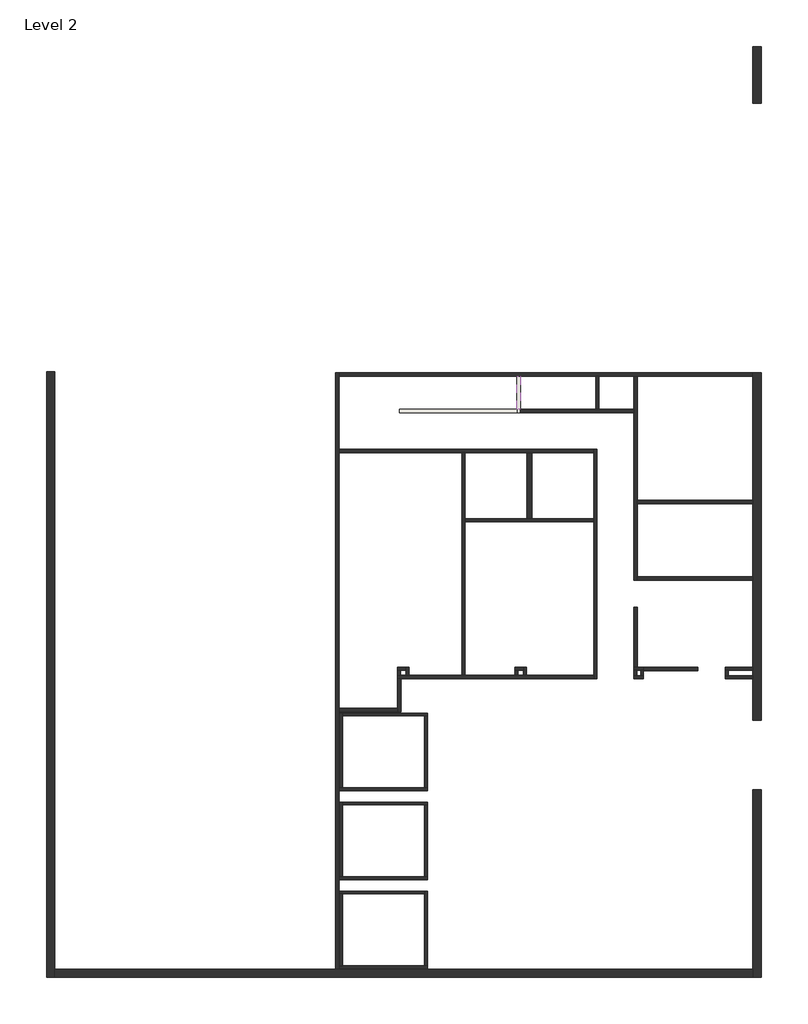
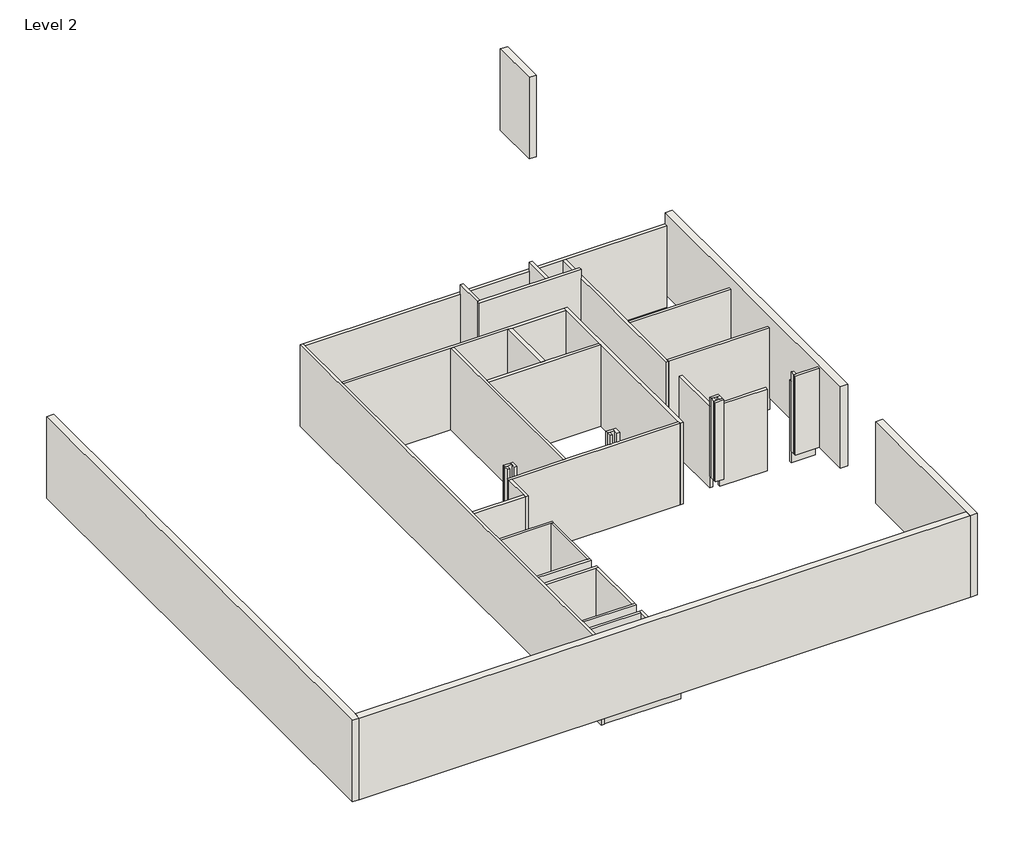
# One storey: 50 walls.
"""IFC4 building model written with IfcOpenShell, lengths in millimetres."""

import ifcopenshell
import ifcopenshell.guid

model = None  # the IFC model being written
_history = None  # IfcOwnerHistory: only IFC2X3 demands one
_inside = {}  # id of a spatial element -> (the spatial element, [elements in it])
_under = {}  # id of a project, library or spatial element -> (it, [spatial elements below it])
_declared = {}  # id of a project -> (the project, [libraries it declares])
_typed = {}  # id of a type object -> (the type object, [elements of that type])
_made_of = {}  # id of a material, layer set ... -> (it, [elements and type objects made of it])


def new_model(schema):
    """Start an empty IFC model of exactly this schema.

    Asked for "IFC4X3", IfcOpenShell would pick the latest addendum, in which some entities
    have other attributes; the version numbers below select the first issue.
    IFC2X3 requires an IfcOwnerHistory on every rooted entity: one is made here for all.
    """
    global model, _history
    if schema == "IFC4X3":
        model = ifcopenshell.file(schema_version=(4, 3, 0, 0))
    else:
        model = ifcopenshell.file(schema=schema)
    _inside.clear()
    _under.clear()
    _declared.clear()
    _typed.clear()
    _made_of.clear()
    _history = None
    if model.schema == "IFC2X3":
        org = make("IfcOrganization", Name="unknown")
        user = make(
            "IfcPersonAndOrganization",
            ThePerson=make("IfcPerson", FamilyName="unknown"),
            TheOrganization=org,
        )
        app = make(
            "IfcApplication",
            ApplicationDeveloper=org,
            Version="unknown",
            ApplicationFullName="unknown",
            ApplicationIdentifier="unknown",
        )
        _history = make(
            "IfcOwnerHistory",
            OwningUser=user,
            OwningApplication=app,
            ChangeAction="ADDED",
            CreationDate=0,
        )
    return model


def make(cls, **values):
    """One entity of the class cls with the attributes given. An attribute that is None is left unset."""
    return model.create_entity(
        cls, **{name: value for name, value in values.items() if value is not None}
    )


def rooted(cls, **values):
    """An entity with a GlobalId (a new one), such as an element, a storey or a relation."""
    return make(cls, GlobalId=ifcopenshell.guid.new(), OwnerHistory=_history, **values)


def si_unit(unit_type, name, prefix=None):
    """IfcSIUnit, for example si_unit("LENGTHUNIT", "METRE", prefix="MILLI")."""
    return make("IfcSIUnit", UnitType=unit_type, Prefix=prefix, Name=name)


def assignment(units):
    """IfcUnitAssignment: the units of a project."""
    return None if units is None else make("IfcUnitAssignment", Units=units)


def point(xyz):
    """IfcCartesianPoint."""
    return None if xyz is None else make("IfcCartesianPoint", Coordinates=xyz)


def direction(xyz):
    """IfcDirection."""
    return None if xyz is None else make("IfcDirection", DirectionRatios=xyz)


def frame(location, z_axis=None, x_axis=None):
    """IfcAxis2Placement3D, a coordinate frame: its origin and axes. An axis left out is left unset."""
    return make(
        "IfcAxis2Placement3D",
        Location=point(location),
        Axis=direction(z_axis),
        RefDirection=direction(x_axis),
    )


def origin():
    """The frame at (0, 0, 0) with its axes left unset."""
    return frame((0.0, 0.0, 0.0))


def place(relative_to, where):
    """IfcLocalPlacement: puts the frame where relative to a parent placement (None: the world)."""
    return make(
        "IfcLocalPlacement", PlacementRelTo=relative_to, RelativePlacement=where
    )


def context(
    kind, dimensions, precision=None, world=None, true_north=None, identifier=None
):
    """IfcGeometricRepresentationContext, for example the 3D "Model" context."""
    return make(
        "IfcGeometricRepresentationContext",
        ContextIdentifier=identifier,
        ContextType=kind,
        CoordinateSpaceDimension=dimensions,
        Precision=precision,
        WorldCoordinateSystem=world,
        TrueNorth=true_north,
    )


def project(units=None, contexts=None):
    """IfcProject with its units and contexts."""
    return rooted(
        "IfcProject",
        Name="project",
        RepresentationContexts=contexts,
        UnitsInContext=assignment(units),
    )


def spatial(cls, under=None, at=None, **own):
    """A site, building, storey or space (cls), placed at a placement, below another one or the project."""
    s = rooted(cls, ObjectPlacement=at, **own)
    if under is not None:
        _under.setdefault(under.id(), (under, []))[1].append(s)
    return s


def polyline(points):
    """IfcPolyline through the points."""
    return make("IfcPolyline", Points=[point(p) for p in points])


def outline(outer, holes=None, kind="AREA"):
    """IfcArbitraryClosedProfileDef: a profile drawn as a closed curve; with holes, ...WithVoids."""
    if holes is None:
        return make("IfcArbitraryClosedProfileDef", ProfileType=kind, OuterCurve=outer)
    return make(
        "IfcArbitraryProfileDefWithVoids",
        ProfileType=kind,
        OuterCurve=outer,
        InnerCurves=holes,
    )


def extrude(swept, where, along, depth):
    """IfcExtrudedAreaSolid: the profile swept, set in the frame where, extruded along a direction by depth."""
    return make(
        "IfcExtrudedAreaSolid",
        SweptArea=swept,
        Position=where,
        ExtrudedDirection=direction(along),
        Depth=depth,
    )


def faces_of(points, faces, orient=None, outer=None):
    """IfcFace entities. A face is a list of loops; a loop is a list of indices into points, from 0.

    orient and outer hold one flag for each loop. By default every Orientation is true, the
    first loop of a face is its IfcFaceOuterBound and the others are IfcFaceBound.
    """
    made = []
    for i, loops in enumerate(faces):
        bounds = []
        for j, loop in enumerate(loops):
            is_outer = j == 0 if outer is None else outer[i][j]
            bounds.append(
                make(
                    "IfcFaceOuterBound" if is_outer else "IfcFaceBound",
                    Bound=make("IfcPolyLoop", Polygon=[points[k] for k in loop]),
                    Orientation=True if orient is None else orient[i][j],
                )
            )
        made.append(make("IfcFace", Bounds=bounds))
    return made


def faceted_brep(points, faces, orient=None, outer=None, voids=None):
    """IfcFacetedBrep: a solid bounded by flat faces; with voids (closed shells), ...WithVoids."""
    shared = [point(p) for p in points]
    hull = make("IfcClosedShell", CfsFaces=faces_of(shared, faces, orient, outer))
    if voids is None:
        return make("IfcFacetedBrep", Outer=hull)
    return make(
        "IfcFacetedBrepWithVoids",
        Outer=hull,
        Voids=[
            make(cls, CfsFaces=faces_of(shared, fs, o, b)) for cls, fs, o, b in voids
        ],
    )


def shape(context_of_items, identifier, shape_type, items):
    """IfcShapeRepresentation: the items that make up one representation, for example the "Body"."""
    return make(
        "IfcShapeRepresentation",
        ContextOfItems=context_of_items,
        RepresentationIdentifier=identifier,
        RepresentationType=shape_type,
        Items=items,
    )


def made_of(thing, what):
    """Note that an element or type object is made of a material, layer set ...; save() writes the relation."""
    if what is not None:
        _made_of.setdefault(what.id(), (what, []))[1].append(thing)
    return thing


def element(
    cls,
    number,
    at=None,
    inside=None,
    cuts=None,
    type_object=None,
    material=None,
    context=None,
    identifier="Body",
    shape_type=None,
    held_by="IfcProductDefinitionShape",
    body=None,
    shapes=None,
    **own,
):
    """One element of the class cls, such as IfcWall. Its Tag is "e" and its number.

    at: its placement. inside: the storey or other place that contains it. cuts: it is an
    opening in that element (IfcRelVoidsElement). A single representation is given by context,
    identifier, shape_type and body (its items); several are given by shapes. held_by: the class
    of the entity that holds the representations. save() writes the other relations.
    """
    e = rooted(cls, Tag="e%d" % number, ObjectPlacement=at, **own)
    if body is not None:
        shapes = [shape(context, identifier, shape_type, body)]
    if shapes is not None:
        e.Representation = make(held_by, Representations=shapes)
    if inside is not None:
        _inside.setdefault(inside.id(), (inside, []))[1].append(e)
    if cuts is not None:
        rooted(
            "IfcRelVoidsElement", RelatingBuildingElement=cuts, RelatedOpeningElement=e
        )
    if type_object is not None:
        _typed.setdefault(type_object.id(), (type_object, []))[1].append(e)
    return made_of(e, material)


def aggregate(whole, parts):
    """IfcRelAggregates: a whole, such as a stair, and the parts it consists of."""
    return rooted("IfcRelAggregates", RelatingObject=whole, RelatedObjects=parts)


def save(model, path):
    """Write the relations noted so far, then the file.

    IfcRelAggregates (storeys below a building ...), IfcRelContainedInSpatialStructure (elements
    in a storey), IfcRelDefinesByType, IfcRelAssociatesMaterial and IfcRelDeclares: one each for
    every whole, place, type object, material and project.
    """
    for whole, parts in _under.values():
        aggregate(whole, parts)
    for where, things in _inside.values():
        rooted(
            "IfcRelContainedInSpatialStructure",
            RelatedElements=things,
            RelatingStructure=where,
        )
    for kind, things in _typed.values():
        rooted("IfcRelDefinesByType", RelatedObjects=things, RelatingType=kind)
    for what, things in _made_of.values():
        rooted("IfcRelAssociatesMaterial", RelatedObjects=things, RelatingMaterial=what)
    for by, libraries in _declared.values():
        rooted("IfcRelDeclares", RelatingContext=by, RelatedDefinitions=libraries)
    model.write(path)


model = new_model("IFC4")

# Units and contexts
model_context = context("Model", 3, world=origin())
ifc_project = project(units=[si_unit("LENGTHUNIT", "METRE", prefix="MILLI")], contexts=[model_context])

# Site, building, storey
site = spatial("IfcSite", under=ifc_project)
building = spatial("IfcBuilding", under=site)
storey = spatial("IfcBuildingStorey", under=building, Name="Level 2", Elevation=3048.0)

# Walls
placement = place(None, origin())
element("IfcWall", 1, ObjectType="Generic - 12\"", at=placement, inside=storey, context=model_context, shape_type="Brep", body=[
    faceted_brep([(12820.8785353, -17893.9596513, 3556.0), (12820.8785353, -10934.3596513, 3556.0), (12820.8785353, -10934.3596513, 7213.6), (12820.8785353, -17893.9596513, 7213.6), (12516.0785353, -17893.9596513, 3556.0), (12516.0785353, -17893.9596513, 7213.6), (12516.0785353, -17589.1596513, 7213.6), (12516.0785353, -10934.3596513, 7213.6), (12516.0785353, -10934.3596513, 3556.0), (12516.0785353, -17589.1596513, 3556.0)], [[[0, 1, 2, 3]], [[4, 5, 6, 7, 8, 9]], [[1, 0, 4, 9, 8]], [[2, 1, 8, 7]], [[3, 2, 7, 6, 5]], [[0, 3, 5, 4]]]),
])
element("IfcWall", 2, ObjectType="Generic - 12\"", at=placement, inside=storey, context=model_context, shape_type="Brep", body=[
    faceted_brep([(12821.5620423, -8343.5596513, 3556.0), (12821.5620423, 4537.4153487, 3556.0), (12821.5620423, 4537.4153487, 7213.6), (12821.5620423, -8343.5596513, 7213.6), (12516.7620423, -8343.5596513, 3556.0), (12516.7620423, -8343.5596513, 7213.6), (12516.7620423, 4537.4153487, 7213.6), (12516.7620423, 4537.4153487, 6705.6), (12516.7620423, 4537.4153487, 3556.0), (12516.7620423, -183.8096513, 3556.0), (12516.7620423, -307.6346513, 3556.0), (12516.7620423, -3025.4346513, 3556.0), (12516.7620423, -3149.2596513, 3556.0), (12516.7620423, -6387.7596513, 3556.0), (12516.7620423, -6495.7096513, 3556.0), (12516.7620423, -6698.9096513, 3556.0), (12516.7620423, -6806.8596513, 3556.0)], [[[0, 1, 2, 3]], [[4, 5, 6, 7, 8, 9, 10, 11, 12, 13, 14, 15, 16]], [[1, 0, 4, 16, 15, 14, 13, 12, 11, 10, 9, 8]], [[3, 2, 6, 5]], [[0, 3, 5, 4]], [[2, 1, 8, 7, 6]]]),
])
element("IfcWall", 3, ObjectType="Generic - 12\"", at=placement, inside=storey, context=model_context, shape_type="SweptSolid", body=[
    extrude(outline(polyline([(12821.5620423, 16651.385314), (12821.5620423, 14542.1710778), (12516.7620423, 14542.1710778), (12516.7620423, 16651.385314), (12821.5620423, 16651.385314)])), frame((0.0, 0.0, 3556.0), z_axis=(0.0, 0.0, 1.0), x_axis=(1.0, 0.0, 0.0)), (0.0, 0.0, 1.0), 3657.6),
])
element("IfcWall", 4, ObjectType="Generic - 12\"", at=placement, inside=storey, context=model_context, shape_type="Brep", body=[
    faceted_brep([(-13711.3933191, 4581.8653487, 3556.0), (-13711.3933191, -17893.9596513, 3556.0), (-13711.3933191, -17893.9596513, 7213.6), (-13711.3933191, 4581.8653487, 7213.6), (-13406.5933191, 4581.8653487, 3556.0), (-13406.5933191, 4581.8653487, 7213.6), (-13406.5933191, -17589.1596513, 7213.6), (-13406.5933191, -17893.9596513, 7213.6), (-13406.5933191, -17893.9596513, 3556.0), (-13406.5933191, -17589.1596513, 3556.0)], [[[0, 1, 2, 3]], [[4, 5, 6, 7, 8, 9]], [[1, 0, 4, 9, 8]], [[3, 2, 7, 6, 5]], [[0, 3, 5, 4]], [[2, 1, 8, 7]]]),
])
element("IfcWall", 5, ObjectType="Generic - 12\"", at=placement, inside=storey, context=model_context, shape_type="SweptSolid", body=[
    extrude(outline(polyline([(12516.0785353, -17893.9596513), (-13406.5933191, -17893.9596513), (-13406.5933191, -17589.1596513), (12516.0785353, -17589.1596513), (12516.0785353, -17893.9596513)])), frame((0.0, 0.0, 3556.0), z_axis=(0.0, 0.0, 1.0), x_axis=(1.0, 0.0, 0.0)), (0.0, 0.0, 1.0), 3657.6),
])
element("IfcWall", 6, ObjectType="Generic - 4\"", at=placement, inside=storey, context=model_context, shape_type="Brep", body=[
    faceted_brep([(-2824.8379577, -17563.7596513, 3048.0), (426.3620423, -17563.7596513, 3048.0), (426.3620423, -17563.7596513, 5257.8), (-2824.8379577, -17563.7596513, 5257.8), (-2824.8379577, -17462.1596513, 3048.0), (-2824.8379577, -17462.1596513, 5257.8), (-2723.2379577, -17462.1596513, 5257.8), (324.7620423, -17462.1596513, 5257.8), (426.3620423, -17462.1596513, 5257.8), (426.3620423, -17462.1596513, 3048.0), (324.7620423, -17462.1596513, 3048.0), (-2723.2379577, -17462.1596513, 3048.0)], [[[0, 1, 2, 3]], [[4, 5, 6, 7, 8, 9, 10, 11]], [[1, 0, 4, 11, 10, 9]], [[3, 2, 8, 7, 6, 5]], [[0, 3, 5, 4]], [[2, 1, 9, 8]]]),
])
element("IfcWall", 7, ObjectType="Generic - 4\"", at=placement, inside=storey, context=model_context, shape_type="Brep", body=[
    faceted_brep([(426.3620423, -17462.1596513, 3048.0), (426.3620423, -14693.5596513, 3048.0), (426.3620423, -14693.5596513, 5257.8), (426.3620423, -17462.1596513, 5257.8), (324.7620423, -17462.1596513, 3048.0), (324.7620423, -17462.1596513, 5257.8), (324.7620423, -14795.1596513, 5257.8), (324.7620423, -14693.5596513, 5257.8), (324.7620423, -14693.5596513, 3048.0), (324.7620423, -14795.1596513, 3048.0)], [[[0, 1, 2, 3]], [[4, 5, 6, 7, 8, 9]], [[1, 0, 4, 9, 8]], [[3, 2, 7, 6, 5]], [[2, 1, 8, 7]], [[0, 3, 5, 4]]]),
])
element("IfcWall", 8, ObjectType="Generic - 4\"", at=placement, inside=storey, context=model_context, shape_type="Brep", body=[
    faceted_brep([(324.7620423, -14693.5596513, 3048.0), (-2824.8379577, -14693.5596513, 3048.0), (-2824.8379577, -14693.5596513, 5257.8), (324.7620423, -14693.5596513, 5257.8), (324.7620423, -14795.1596513, 3048.0), (324.7620423, -14795.1596513, 5257.8), (-2723.2379577, -14795.1596513, 5257.8), (-2824.8379577, -14795.1596513, 5257.8), (-2824.8379577, -14795.1596513, 3048.0), (-2723.2379577, -14795.1596513, 3048.0)], [[[0, 1, 2, 3]], [[4, 5, 6, 7, 8, 9]], [[1, 0, 4, 9, 8]], [[3, 2, 7, 6, 5]], [[0, 3, 5, 4]], [[2, 1, 8, 7]]]),
])
element("IfcWall", 9, ObjectType="Generic - 4\"", at=placement, inside=storey, context=model_context, shape_type="SweptSolid", body=[
    extrude(outline(polyline([(-2824.8379577, -17462.1596513), (-2824.8379577, -14795.1596513), (-2723.2379577, -14795.1596513), (-2723.2379577, -17462.1596513), (-2824.8379577, -17462.1596513)])), frame((0.0, 0.0, 3048.0), z_axis=(0.0, 0.0, 1.0), x_axis=(1.0, 0.0, 0.0)), (0.0, 0.0, 1.0), 2209.8),
])
element("IfcWall", 10, ObjectType="Generic - 4\"", at=placement, inside=storey, context=model_context, shape_type="Brep", body=[
    faceted_brep([(426.3620423, -14160.1596513, 3048.0), (324.7620423, -14160.1596513, 3048.0), (-2723.2379577, -14160.1596513, 3048.0), (-2824.8379577, -14160.1596513, 3048.0), (-2824.8379577, -14160.1596513, 5257.8), (-2723.2379577, -14160.1596513, 5257.8), (324.7620423, -14160.1596513, 5257.8), (426.3620423, -14160.1596513, 5257.8), (426.3620423, -14261.7596513, 3048.0), (426.3620423, -14261.7596513, 5257.8), (-2824.8379577, -14261.7596513, 5257.8), (-2824.8379577, -14261.7596513, 3048.0)], [[[0, 1, 2, 3, 4, 5, 6, 7]], [[8, 9, 10, 11]], [[3, 2, 1, 0, 8, 11]], [[7, 6, 5, 4, 10, 9]], [[4, 3, 11, 10]], [[0, 7, 9, 8]]]),
])
element("IfcWall", 11, ObjectType="Generic - 4\"", at=placement, inside=storey, context=model_context, shape_type="Brep", body=[
    faceted_brep([(-2723.2379577, -14160.1596513, 3048.0), (-2723.2379577, -11493.1596513, 3048.0), (-2723.2379577, -11391.5596513, 3048.0), (-2723.2379577, -11391.5596513, 5257.8), (-2723.2379577, -11493.1596513, 5257.8), (-2723.2379577, -14160.1596513, 5257.8), (-2824.8379577, -14160.1596513, 3048.0), (-2824.8379577, -14160.1596513, 5257.8), (-2824.8379577, -11391.5596513, 5257.8), (-2824.8379577, -11391.5596513, 3048.0)], [[[0, 1, 2, 3, 4, 5]], [[6, 7, 8, 9]], [[2, 1, 0, 6, 9]], [[5, 4, 3, 8, 7]], [[0, 5, 7, 6]], [[3, 2, 9, 8]]]),
])
element("IfcWall", 12, ObjectType="Generic - 4\"", at=placement, inside=storey, context=model_context, shape_type="Brep", body=[
    faceted_brep([(-2723.2379577, -11493.1596513, 3048.0), (324.7620423, -11493.1596513, 3048.0), (426.3620423, -11493.1596513, 3048.0), (426.3620423, -11493.1596513, 5257.8), (324.7620423, -11493.1596513, 5257.8), (-2723.2379577, -11493.1596513, 5257.8), (-2723.2379577, -11391.5596513, 3048.0), (-2723.2379577, -11391.5596513, 5257.8), (426.3620423, -11391.5596513, 5257.8), (426.3620423, -11391.5596513, 3048.0)], [[[0, 1, 2, 3, 4, 5]], [[6, 7, 8, 9]], [[2, 1, 0, 6, 9]], [[5, 4, 3, 8, 7]], [[0, 5, 7, 6]], [[3, 2, 9, 8]]]),
])
element("IfcWall", 13, ObjectType="Generic - 4\"", at=placement, inside=storey, context=model_context, shape_type="SweptSolid", body=[
    extrude(outline(polyline([(324.7620423, -14160.1596513), (324.7620423, -11493.1596513), (426.3620423, -11493.1596513), (426.3620423, -14160.1596513), (324.7620423, -14160.1596513)])), frame((0.0, 0.0, 3048.0), z_axis=(0.0, 0.0, 1.0), x_axis=(1.0, 0.0, 0.0)), (0.0, 0.0, 1.0), 2209.8),
])
element("IfcWall", 14, ObjectType="Generic - 4\"", at=placement, inside=storey, context=model_context, shape_type="Brep", body=[
    faceted_brep([(426.3620423, -10858.1596513, 3048.0), (324.7620423, -10858.1596513, 3048.0), (-2723.2379577, -10858.1596513, 3048.0), (-2824.8379577, -10858.1596513, 3048.0), (-2824.8379577, -10858.1596513, 5257.8), (-2723.2379577, -10858.1596513, 5257.8), (324.7620423, -10858.1596513, 5257.8), (426.3620423, -10858.1596513, 5257.8), (426.3620423, -10959.7596513, 3048.0), (426.3620423, -10959.7596513, 5257.8), (-2824.8379577, -10959.7596513, 5257.8), (-2824.8379577, -10959.7596513, 3048.0)], [[[0, 1, 2, 3, 4, 5, 6, 7]], [[8, 9, 10, 11]], [[3, 2, 1, 0, 8, 11]], [[7, 6, 5, 4, 10, 9]], [[4, 3, 11, 10]], [[0, 7, 9, 8]]]),
])
element("IfcWall", 15, ObjectType="Generic - 4\"", at=placement, inside=storey, context=model_context, shape_type="Brep", body=[
    faceted_brep([(-2723.2379577, -10858.1596513, 3048.0), (-2723.2379577, -8191.1596513, 3048.0), (-2723.2379577, -8089.5596513, 3048.0), (-2723.2379577, -8089.5596513, 5257.8), (-2723.2379577, -8191.1596513, 5257.8), (-2723.2379577, -10858.1596513, 5257.8), (-2824.8379577, -10858.1596513, 3048.0), (-2824.8379577, -10858.1596513, 5257.8), (-2824.8379577, -8089.5596513, 5257.8), (-2824.8379577, -8089.5596513, 3048.0)], [[[0, 1, 2, 3, 4, 5]], [[6, 7, 8, 9]], [[2, 1, 0, 6, 9]], [[5, 4, 3, 8, 7]], [[0, 5, 7, 6]], [[3, 2, 9, 8]]]),
])
element("IfcWall", 16, ObjectType="Generic - 4\"", at=placement, inside=storey, context=model_context, shape_type="Brep", body=[
    faceted_brep([(-2723.2379577, -8191.1596513, 3048.0), (324.7620423, -8191.1596513, 3048.0), (426.3620423, -8191.1596513, 3048.0), (426.3620423, -8191.1596513, 5257.8), (324.7620423, -8191.1596513, 5257.8), (-2723.2379577, -8191.1596513, 5257.8), (-2723.2379577, -8089.5596513, 3048.0), (-2723.2379577, -8089.5596513, 5257.8), (426.3620423, -8089.5596513, 5257.8), (426.3620423, -8089.5596513, 3048.0)], [[[0, 1, 2, 3, 4, 5]], [[6, 7, 8, 9]], [[2, 1, 0, 6, 9]], [[5, 4, 3, 8, 7]], [[0, 5, 7, 6]], [[3, 2, 9, 8]]]),
])
element("IfcWall", 17, ObjectType="Generic - 4\"", at=placement, inside=storey, context=model_context, shape_type="SweptSolid", body=[
    extrude(outline(polyline([(324.7620423, -10858.1596513), (324.7620423, -8191.1596513), (426.3620423, -8191.1596513), (426.3620423, -10858.1596513), (324.7620423, -10858.1596513)])), frame((0.0, 0.0, 3048.0), z_axis=(0.0, 0.0, 1.0), x_axis=(1.0, 0.0, 0.0)), (0.0, 0.0, 1.0), 2209.8),
])
element("IfcWall", 18, ObjectType="Interior - 4 1/4\" Partition", at=placement, inside=storey, context=model_context, shape_type="Brep", body=[
    faceted_brep([(11494.4120423, -6495.7096513, 3048.0), (12516.0785353, -6495.7096513, 3048.0), (12516.0785353, -6495.7096513, 3556.0), (12516.7620423, -6495.7096513, 3556.0), (12516.7620423, -6495.7096513, 6705.6), (11494.4120423, -6495.7096513, 6705.6), (11494.4120423, -6495.7096513, 3556.0), (11494.4120423, -6387.7596513, 3048.0), (11494.4120423, -6387.7596513, 6705.6), (12516.7620423, -6387.7596513, 6705.6), (12516.7620423, -6387.7596513, 3556.0), (12516.0785353, -6387.7596513, 3556.0), (12516.0785353, -6387.7596513, 3048.0)], [[[0, 1, 2, 3, 4, 5, 6]], [[7, 8, 9, 10, 11, 12]], [[1, 0, 7, 12]], [[5, 4, 9, 8]], [[0, 6, 5, 8, 7]], [[10, 3, 2, 11]], [[2, 1, 12, 11]], [[4, 3, 10, 9]]]),
])
element("IfcWall", 19, ObjectType="Interior - 4 1/4\" Partition", at=placement, inside=storey, context=model_context, shape_type="Brep", body=[
    faceted_brep([(11494.4120423, -6806.8596513, 3556.0), (12516.7620423, -6806.8596513, 3556.0), (12516.7620423, -6806.8596513, 7112.0), (11494.4120423, -6806.8596513, 7112.0), (11494.4120423, -6698.9096513, 3556.0), (11494.4120423, -6698.9096513, 7112.0), (11602.3620423, -6698.9096513, 7112.0), (12516.7620423, -6698.9096513, 7112.0), (12516.7620423, -6698.9096513, 3556.0), (11602.3620423, -6698.9096513, 3556.0)], [[[0, 1, 2, 3]], [[4, 5, 6, 7, 8, 9]], [[1, 0, 4, 9, 8]], [[3, 2, 7, 6, 5]], [[2, 1, 8, 7]], [[0, 3, 5, 4]]]),
])
element("IfcWall", 20, ObjectType="Interior - 4 1/4\" Partition", at=placement, inside=storey, context=model_context, shape_type="Brep", body=[
    faceted_brep([(11494.4120423, -6495.7096513, 3556.0), (11494.4120423, -6698.9096513, 3556.0), (11494.4120423, -6698.9096513, 7112.0), (11494.4120423, -6495.7096513, 7112.0), (11494.4120423, -6495.7096513, 6705.6), (11602.3620423, -6495.7096513, 3556.0), (11602.3620423, -6495.7096513, 7112.0), (11602.3620423, -6698.9096513, 7112.0), (11602.3620423, -6698.9096513, 3556.0)], [[[0, 1, 2, 3, 4]], [[5, 6, 7, 8]], [[1, 0, 5, 8]], [[3, 2, 7, 6]], [[0, 4, 3, 6, 5]], [[2, 1, 8, 7]]]),
])
element("IfcWall", 21, ObjectType="Interior - 4 1/4\" Partition", at=placement, inside=storey, context=model_context, shape_type="Brep", body=[
    faceted_brep([(8100.3370423, -6806.8596513, 3556.0), (8459.1120423, -6806.8596513, 3556.0), (8459.1120423, -6806.8596513, 7112.0), (8100.3370423, -6806.8596513, 7112.0), (8100.3370423, -6698.9096513, 3556.0), (8100.3370423, -6698.9096513, 7112.0), (8208.2870423, -6698.9096513, 7112.0), (8351.1620423, -6698.9096513, 7112.0), (8459.1120423, -6698.9096513, 7112.0), (8459.1120423, -6698.9096513, 3556.0), (8351.1620423, -6698.9096513, 3556.0), (8208.2870423, -6698.9096513, 3556.0)], [[[0, 1, 2, 3]], [[4, 5, 6, 7, 8, 9, 10, 11]], [[1, 0, 4, 11, 10, 9]], [[3, 2, 8, 7, 6, 5]], [[2, 1, 9, 8]], [[0, 3, 5, 4]]]),
])
element("IfcWall", 22, ObjectType="Interior - 4 1/4\" Partition", at=placement, inside=storey, context=model_context, shape_type="SweptSolid", body=[
    extrude(outline(polyline([(8459.1120423, -6495.7096513), (8459.1120423, -6698.9096513), (8351.1620423, -6698.9096513), (8351.1620423, -6495.7096513), (8459.1120423, -6495.7096513)])), frame((0.0, 0.0, 3556.0), z_axis=(0.0, 0.0, 1.0), x_axis=(1.0, 0.0, 0.0)), (0.0, 0.0, 1.0), 3556.0),
])
element("IfcWall", 23, ObjectType="Interior - 4 1/4\" Partition", at=placement, inside=storey, context=model_context, shape_type="SweptSolid", body=[
    extrude(outline(polyline([(8100.3370423, -6698.9096513), (8100.3370423, -6495.7096513), (8208.2870423, -6495.7096513), (8208.2870423, -6698.9096513), (8100.3370423, -6698.9096513)])), frame((0.0, 0.0, 3556.0), z_axis=(0.0, 0.0, 1.0), x_axis=(1.0, 0.0, 0.0)), (0.0, 0.0, 1.0), 3556.0),
])
element("IfcWall", 24, ObjectType="Interior - 4 1/4\" Partition", at=placement, inside=storey, context=model_context, shape_type="Brep", body=[
    faceted_brep([(8459.1120423, -6387.7596513, 7112.0), (8459.1120423, -6387.7596513, 6705.6), (8459.1120423, -6387.7596513, 3556.0), (8100.3370423, -6387.7596513, 3556.0), (8100.3370423, -6387.7596513, 6705.6), (8100.3370423, -6387.7596513, 7112.0), (8459.1120423, -6495.7096513, 3556.0), (8459.1120423, -6495.7096513, 7112.0), (8351.1620423, -6495.7096513, 7112.0), (8208.2870423, -6495.7096513, 7112.0), (8100.3370423, -6495.7096513, 7112.0), (8100.3370423, -6495.7096513, 3556.0), (8208.2870423, -6495.7096513, 3556.0), (8351.1620423, -6495.7096513, 3556.0)], [[[0, 1, 2, 3, 4, 5]], [[6, 7, 8, 9, 10, 11, 12, 13]], [[3, 2, 6, 13, 12, 11]], [[0, 5, 10, 9, 8, 7]], [[3, 11, 10, 5, 4]], [[0, 7, 6, 2, 1]]]),
])
element("IfcWall", 25, ObjectType="Interior - 4 1/4\" Partition", at=placement, inside=storey, context=model_context, shape_type="Brep", body=[
    faceted_brep([(4103.0120423, -6683.0346513, 3556.0), (4103.0120423, -6387.7596513, 3556.0), (4103.0120423, -6387.7596513, 7112.0), (4103.0120423, -6683.0346513, 7112.0), (3995.0620423, -6683.0346513, 3556.0), (3995.0620423, -6683.0346513, 7112.0), (3995.0620423, -6495.7096513, 7112.0), (3995.0620423, -6387.7596513, 7112.0), (3995.0620423, -6387.7596513, 3556.0), (3995.0620423, -6495.7096513, 3556.0)], [[[0, 1, 2, 3]], [[4, 5, 6, 7, 8, 9]], [[1, 0, 4, 9, 8]], [[3, 2, 7, 6, 5]], [[0, 3, 5, 4]], [[2, 1, 8, 7]]]),
])
element("IfcWall", 26, ObjectType="Interior - 4 1/4\" Partition", at=placement, inside=storey, context=model_context, shape_type="Brep", body=[
    faceted_brep([(3995.0620423, -6387.7596513, 3556.0), (3683.9120423, -6387.7596513, 3556.0), (3683.9120423, -6387.7596513, 7112.0), (3995.0620423, -6387.7596513, 7112.0), (3995.0620423, -6495.7096513, 3556.0), (3995.0620423, -6495.7096513, 7112.0), (3791.8620423, -6495.7096513, 7112.0), (3683.9120423, -6495.7096513, 7112.0), (3683.9120423, -6495.7096513, 3556.0), (3791.8620423, -6495.7096513, 3556.0)], [[[0, 1, 2, 3]], [[4, 5, 6, 7, 8, 9]], [[1, 0, 4, 9, 8]], [[3, 2, 7, 6, 5]], [[0, 3, 5, 4]], [[2, 1, 8, 7]]]),
])
element("IfcWall", 27, ObjectType="Interior - 4 1/4\" Partition", at=placement, inside=storey, context=model_context, shape_type="SweptSolid", body=[
    extrude(outline(polyline([(3683.9120423, -6683.0346513), (3683.9120423, -6495.7096513), (3791.8620423, -6495.7096513), (3791.8620423, -6683.0346513), (3683.9120423, -6683.0346513)])), frame((0.0, 0.0, 3556.0), z_axis=(0.0, 0.0, 1.0), x_axis=(1.0, 0.0, 0.0)), (0.0, 0.0, 1.0), 3556.0),
])
element("IfcWall", 28, ObjectType="Interior - 4 1/4\" Partition", at=placement, inside=storey, context=model_context, shape_type="Brep", body=[
    faceted_brep([(-253.0879577, -6683.0346513, 3556.0), (-253.0879577, -6387.7596513, 3556.0), (-253.0879577, -6387.7596513, 7112.0), (-253.0879577, -6683.0346513, 7112.0), (-361.0379577, -6683.0346513, 3556.0), (-361.0379577, -6683.0346513, 7112.0), (-361.0379577, -6495.7096513, 7112.0), (-361.0379577, -6387.7596513, 7112.0), (-361.0379577, -6387.7596513, 3556.0), (-361.0379577, -6495.7096513, 3556.0)], [[[0, 1, 2, 3]], [[4, 5, 6, 7, 8, 9]], [[1, 0, 4, 9, 8]], [[3, 2, 7, 6, 5]], [[0, 3, 5, 4]], [[2, 1, 8, 7]]]),
])
element("IfcWall", 29, ObjectType="Interior - 4 1/4\" Partition", at=placement, inside=storey, context=model_context, shape_type="Brep", body=[
    faceted_brep([(-361.0379577, -6387.7596513, 3556.0), (-672.1879577, -6387.7596513, 3556.0), (-672.1879577, -6387.7596513, 7112.0), (-361.0379577, -6387.7596513, 7112.0), (-361.0379577, -6495.7096513, 3556.0), (-361.0379577, -6495.7096513, 7112.0), (-564.2379577, -6495.7096513, 7112.0), (-672.1879577, -6495.7096513, 7112.0), (-672.1879577, -6495.7096513, 3556.0), (-564.2379577, -6495.7096513, 3556.0)], [[[0, 1, 2, 3]], [[4, 5, 6, 7, 8, 9]], [[1, 0, 4, 9, 8]], [[3, 2, 7, 6, 5]], [[0, 3, 5, 4]], [[2, 1, 8, 7]]]),
])
element("IfcWall", 30, ObjectType="Interior - 4 1/4\" Partition", at=placement, inside=storey, context=model_context, shape_type="Brep", body=[
    faceted_brep([(-672.1879577, -6495.7096513, 3556.0), (-672.1879577, -6683.0346513, 3556.0), (-672.1879577, -6683.0346513, 6705.6), (-672.1879577, -6683.0346513, 7112.0), (-672.1879577, -6495.7096513, 7112.0), (-564.2379577, -6495.7096513, 3556.0), (-564.2379577, -6495.7096513, 7112.0), (-564.2379577, -6683.0346513, 7112.0), (-564.2379577, -6683.0346513, 3556.0)], [[[0, 1, 2, 3, 4]], [[5, 6, 7, 8]], [[1, 0, 5, 8]], [[4, 3, 7, 6]], [[0, 4, 6, 5]], [[3, 2, 1, 8, 7]]]),
])
element("IfcWall", 31, ObjectType="Interior - 4 7/8\" Partition", at=placement, inside=storey, context=model_context, shape_type="Brep", body=[
    faceted_brep([(-2850.2379577, -17589.1596513, 6705.6), (-2850.2379577, -17589.1596513, 3048.0), (-2850.2379577, -8026.0596513, 3048.0), (-2850.2379577, -7902.2346513, 3048.0), (-2850.2379577, -6640.1721513, 3048.0), (-2850.2379577, -6446.4971513, 3048.0), (-2850.2379577, 1575.1403487, 3048.0), (-2850.2379577, 1698.9653487, 3048.0), (-2850.2379577, 4413.5903487, 3048.0), (-2850.2379577, 4537.4153487, 3048.0), (-2850.2379577, 4537.4153487, 6705.6), (-2850.2379577, 4413.5903487, 6705.6), (-2850.2379577, 1698.9653487, 6705.6), (-2850.2379577, 1575.1403487, 6705.6), (-2850.2379577, -7902.2346513, 6705.6), (-2850.2379577, -8026.0596513, 6705.6), (-2974.0629577, -17589.1596513, 3048.0), (-2974.0629577, -17589.1596513, 6705.6), (-2974.0629577, 4537.4153487, 6705.6), (-2974.0629577, 4537.4153487, 3048.0), (-2974.0629577, -6446.4971513, 3048.0), (-2974.0629577, -6640.1721513, 3048.0)], [[[0, 1, 2, 3, 4, 5, 6, 7, 8, 9, 10, 11, 12, 13, 14, 15]], [[16, 17, 18, 19, 20, 21]], [[9, 8, 7, 6, 5, 4, 3, 2, 1, 16, 21, 20, 19]], [[0, 15, 14, 13, 12, 11, 10, 18, 17]], [[10, 9, 19, 18]], [[0, 17, 16, 1]]]),
])
element("IfcWall", 32, ObjectType="Interior - 4 7/8\" Partition", at=placement, inside=storey, context=model_context, shape_type="Brep", body=[
    faceted_brep([(-2850.2379577, 4413.5903487, 3048.0), (12516.7620423, 4413.5903487, 3048.0), (12516.7620423, 4413.5903487, 6705.6), (8224.1620423, 4413.5903487, 6705.6), (8100.3370423, 4413.5903487, 6705.6), (-2850.2379577, 4413.5903487, 6705.6), (-2850.2379577, 4537.4153487, 3048.0), (-2850.2379577, 4537.4153487, 6705.6), (12516.7620423, 4537.4153487, 6705.6), (12516.7620423, 4537.4153487, 3556.0), (12516.7620423, 4537.4153487, 3048.0)], [[[0, 1, 2, 3, 4, 5]], [[6, 7, 8, 9, 10]], [[1, 0, 6, 10]], [[5, 4, 3, 2, 8, 7]], [[0, 5, 7, 6]], [[2, 1, 10, 9, 8]]]),
])
element("IfcWall", 33, ObjectType="Interior - 4 7/8\" Partition", at=placement, inside=storey, context=model_context, shape_type="Brep", body=[
    faceted_brep([(3756.9370423, 4429.4653487, 3048.0), (3756.9370423, 3194.3903487, 3048.0), (3756.9370423, 3070.5653487, 3048.0), (3756.9370423, 3070.5653487, 4114.8), (3756.9370423, 3194.3903487, 4114.8), (3756.9370423, 4413.5903487, 4114.8), (3756.9370423, 4413.5903487, 3556.0), (3756.9370423, 4429.4653487, 3556.0), (3880.7620423, 4429.4653487, 3048.0), (3880.7620423, 4429.4653487, 3556.0), (3880.7620423, 4413.5903487, 3556.0), (3880.7620423, 4413.5903487, 4114.8), (3880.7620423, 3070.5653487, 4114.8), (3880.7620423, 3070.5653487, 3048.0), (3880.7620423, 3194.3903487, 3048.0)], [[[0, 1, 2, 3, 4, 5, 6, 7]], [[8, 9, 10, 11, 12, 13, 14]], [[2, 1, 0, 8, 14, 13]], [[5, 4, 3, 12, 11]], [[3, 2, 13, 12]], [[6, 10, 9, 7]], [[0, 7, 9, 8]], [[6, 5, 11, 10]]]),
])
element("IfcWall", 34, ObjectType="Interior - 4 7/8\" Partition", at=placement, inside=storey, context=model_context, shape_type="SweptSolid", body=[
    extrude(outline(polyline([(-611.8629577, 3194.3903487), (3756.9370423, 3194.3903487), (3756.9370423, 3070.5653487), (-611.8629577, 3070.5653487), (-611.8629577, 3194.3903487)])), frame((0.0, 0.0, 3048.0), z_axis=(0.0, 0.0, 1.0), x_axis=(1.0, 0.0, 0.0)), (0.0, 0.0, 1.0), 1066.8),
])
element("IfcWall", 35, ObjectType="Interior - 4 7/8\" Partition", at=placement, inside=storey, context=model_context, shape_type="SweptSolid", body=[
    extrude(outline(polyline([(3756.9370423, 3194.3903487), (3756.9370423, 4413.5903487), (3880.7620423, 4413.5903487), (3880.7620423, 3194.3903487), (3756.9370423, 3194.3903487)])), frame((0.0, 0.0, 4470.4), z_axis=(0.0, 0.0, 1.0), x_axis=(1.0, 0.0, 0.0)), (0.0, 0.0, 1.0), 2641.6),
])
element("IfcWall", 36, ObjectType="Interior - 4 7/8\" Partition", at=placement, inside=storey, context=model_context, shape_type="Brep", body=[
    faceted_brep([(3880.7620423, 3070.5653487, 3048.0), (8100.3370423, 3070.5653487, 3048.0), (8100.3370423, 3070.5653487, 7112.0), (3756.9370423, 3070.5653487, 7112.0), (3756.9370423, 3070.5653487, 4470.4), (3880.7620423, 3070.5653487, 4470.4), (3880.7620423, 3070.5653487, 4114.8), (3880.7620423, 3194.3903487, 3048.0), (3880.7620423, 3194.3903487, 4470.4), (3756.9370423, 3194.3903487, 4470.4), (3756.9370423, 3194.3903487, 7112.0), (3880.7620423, 3194.3903487, 7112.0), (6681.1120423, 3194.3903487, 7112.0), (6804.9370423, 3194.3903487, 7112.0), (8100.3370423, 3194.3903487, 7112.0), (8100.3370423, 3194.3903487, 3048.0), (6804.9370423, 3194.3903487, 3048.0), (6681.1120423, 3194.3903487, 3048.0)], [[[0, 1, 2, 3, 4, 5, 6]], [[7, 8, 9, 10, 11, 12, 13, 14, 15, 16, 17]], [[1, 0, 7, 17, 16, 15]], [[3, 2, 14, 13, 12, 11, 10]], [[4, 9, 8, 5]], [[0, 6, 5, 8, 7]], [[4, 3, 10, 9]], [[2, 1, 15, 14]]]),
])
element("IfcWall", 37, ObjectType="Interior - 4 7/8\" Partition", at=placement, inside=storey, context=model_context, shape_type="SweptSolid", body=[
    extrude(outline(polyline([(3194.3903487, 3048.0), (3194.3903487, 7112.0), (4413.5903487, 7112.0), (4413.5903487, 3556.0), (4429.4653487, 3556.0), (4429.4653487, 3048.0), (3194.3903487, 3048.0)])), frame((6681.1120423, 0.0, 0.0), z_axis=(1.0, 0.0, 0.0), x_axis=(0.0, 1.0, 0.0)), (0.0, 0.0, 1.0), 123.825),
])
element("IfcWall", 38, ObjectType="Interior - 4 7/8\" Partition", at=placement, inside=storey, context=model_context, shape_type="Brep", body=[
    faceted_brep([(8100.3370423, 4429.4653487, 3048.0), (8100.3370423, 3194.3903487, 3048.0), (8100.3370423, 3070.5653487, 3048.0), (8100.3370423, -3149.2596513, 3048.0), (8100.3370423, -3149.2596513, 6705.6), (8100.3370423, 4413.5903487, 6705.6), (8100.3370423, 4413.5903487, 3556.0), (8100.3370423, 4429.4653487, 3556.0), (8224.1620423, -3149.2596513, 3048.0), (8224.1620423, -3025.4346513, 3048.0), (8224.1620423, -307.6346513, 3048.0), (8224.1620423, -183.8096513, 3048.0), (8224.1620423, 4429.4653487, 3048.0), (8224.1620423, 4429.4653487, 3556.0), (8224.1620423, 4413.5903487, 3556.0), (8224.1620423, 4413.5903487, 6705.6), (8224.1620423, -183.8096513, 6705.6), (8224.1620423, -307.6346513, 6705.6), (8224.1620423, -3025.4346513, 6705.6), (8224.1620423, -3149.2596513, 6705.6)], [[[0, 1, 2, 3, 4, 5, 6, 7]], [[8, 9, 10, 11, 12, 13, 14, 15, 16, 17, 18, 19]], [[3, 2, 1, 0, 12, 11, 10, 9, 8]], [[5, 4, 19, 18, 17, 16, 15]], [[4, 3, 8, 19]], [[14, 13, 7, 6]], [[12, 0, 7, 13]], [[5, 15, 14, 6]]]),
])
element("IfcWall", 39, ObjectType="Interior - 4 7/8\" Partition", at=placement, inside=storey, context=model_context, shape_type="SweptSolid", body=[
    extrude(outline(polyline([(3048.0, 8224.1620423), (3048.0, 12516.0785353), (3556.0, 12516.0785353), (3556.0, 12516.7620423), (6705.6, 12516.7620423), (6705.6, 8224.1620423), (3048.0, 8224.1620423)])), frame((0.0, -307.6346513, 0.0), z_axis=(0.0, 1.0, 0.0), x_axis=(0.0, 0.0, 1.0)), (0.0, 0.0, 1.0), 123.825),
])
element("IfcWall", 40, ObjectType="Interior - 4 7/8\" Partition", at=placement, inside=storey, context=model_context, shape_type="SweptSolid", body=[
    extrude(outline(polyline([(3048.0, 8224.1620423), (3048.0, 12516.0785353), (3556.0, 12516.0785353), (3556.0, 12516.7620423), (6705.6, 12516.7620423), (6705.6, 8224.1620423), (3048.0, 8224.1620423)])), frame((0.0, -3149.2596513, 0.0), z_axis=(0.0, 1.0, 0.0), x_axis=(0.0, 0.0, 1.0)), (0.0, 0.0, 1.0), 123.825),
])
element("IfcWall", 41, ObjectType="Interior - 4 7/8\" Partition", at=placement, inside=storey, context=model_context, shape_type="Brep", body=[
    faceted_brep([(8100.3370423, -4165.2596513, 3048.0), (8100.3370423, -6387.7596513, 3048.0), (8100.3370423, -6387.7596513, 3556.0), (8100.3370423, -6387.7596513, 6705.6), (8100.3370423, -4165.2596513, 6705.6), (8224.1620423, -4165.2596513, 3048.0), (8224.1620423, -4165.2596513, 6705.6), (8224.1620423, -6387.7596513, 6705.6), (8224.1620423, -6387.7596513, 3048.0)], [[[0, 1, 2, 3, 4]], [[5, 6, 7, 8]], [[1, 0, 5, 8]], [[4, 3, 7, 6]], [[0, 4, 6, 5]], [[3, 2, 1, 8, 7]]]),
])
element("IfcWall", 42, ObjectType="Interior - 4 7/8\" Partition", at=placement, inside=storey, context=model_context, shape_type="Brep", body=[
    faceted_brep([(8459.1120423, -6511.5846513, 3048.0), (10481.5870423, -6511.5846513, 3048.0), (10481.5870423, -6511.5846513, 6705.6), (8459.1120423, -6511.5846513, 6705.6), (8459.1120423, -6387.7596513, 3048.0), (8459.1120423, -6387.7596513, 3556.0), (8459.1120423, -6387.7596513, 6705.6), (10481.5870423, -6387.7596513, 6705.6), (10481.5870423, -6387.7596513, 3048.0)], [[[0, 1, 2, 3]], [[4, 5, 6, 7, 8]], [[1, 0, 4, 8]], [[2, 1, 8, 7]], [[3, 2, 7, 6]], [[0, 3, 6, 5, 4]]]),
])
element("IfcWall", 43, ObjectType="Interior - 4 7/8\" Partition", at=placement, inside=storey, context=model_context, shape_type="Brep", body=[
    faceted_brep([(6728.7370423, -6806.8596513, 3048.0), (6728.7370423, 1698.9653487, 3048.0), (6728.7370423, 1698.9653487, 6705.6), (6728.7370423, -6806.8596513, 6705.6), (6604.9120423, -6806.8596513, 3048.0), (6604.9120423, -6806.8596513, 6705.6), (6604.9120423, -6683.0346513, 6705.6), (6604.9120423, -987.0846513, 6705.6), (6604.9120423, -863.2596513, 6705.6), (6604.9120423, 1575.1403487, 6705.6), (6604.9120423, 1698.9653487, 6705.6), (6604.9120423, 1698.9653487, 3048.0), (6604.9120423, 1575.1403487, 3048.0), (6604.9120423, -863.2596513, 3048.0), (6604.9120423, -987.0846513, 3048.0), (6604.9120423, -6683.0346513, 3048.0)], [[[0, 1, 2, 3]], [[4, 5, 6, 7, 8, 9, 10, 11, 12, 13, 14, 15]], [[1, 0, 4, 15, 14, 13, 12, 11]], [[3, 2, 10, 9, 8, 7, 6, 5]], [[2, 1, 11, 10]], [[0, 3, 5, 4]]]),
])
element("IfcWall", 44, ObjectType="Interior - 4 7/8\" Partition", at=placement, inside=storey, context=model_context, shape_type="Brep", body=[
    faceted_brep([(6604.9120423, 1698.9653487, 3048.0), (-2850.2379577, 1698.9653487, 3048.0), (-2850.2379577, 1698.9653487, 6705.6), (6604.9120423, 1698.9653487, 6705.6), (-2850.2379577, 1575.1403487, 3048.0), (1705.8870423, 1575.1403487, 3048.0), (1829.7120423, 1575.1403487, 3048.0), (4125.2370423, 1575.1403487, 3048.0), (4309.3870423, 1575.1403487, 3048.0), (6604.9120423, 1575.1403487, 3048.0), (6604.9120423, 1575.1403487, 6705.6), (4309.3870423, 1575.1403487, 6705.6), (4125.2370423, 1575.1403487, 6705.6), (1829.7120423, 1575.1403487, 6705.6), (1705.8870423, 1575.1403487, 6705.6), (-2850.2379577, 1575.1403487, 6705.6)], [[[0, 1, 2, 3]], [[4, 5, 6, 7, 8, 9, 10, 11, 12, 13, 14, 15]], [[1, 0, 9, 8, 7, 6, 5, 4]], [[3, 2, 15, 14, 13, 12, 11, 10]], [[0, 3, 10, 9]], [[2, 1, 4, 15]]]),
])
element("IfcWall", 45, ObjectType="Interior - 4 7/8\" Partition", at=placement, inside=storey, context=model_context, shape_type="Brep", body=[
    faceted_brep([(6604.9120423, -6683.0346513, 3048.0), (1829.7120423, -6683.0346513, 3048.0), (1705.8870423, -6683.0346513, 3048.0), (-672.1879577, -6683.0346513, 3048.0), (-672.1879577, -6683.0346513, 3556.0), (-672.1879577, -6683.0346513, 6705.6), (1705.8870423, -6683.0346513, 6705.6), (1829.7120423, -6683.0346513, 6705.6), (6604.9120423, -6683.0346513, 6705.6), (-672.1879577, -6806.8596513, 3048.0), (-548.3629577, -6806.8596513, 3048.0), (6604.9120423, -6806.8596513, 3048.0), (6604.9120423, -6806.8596513, 6705.6), (-548.3629577, -6806.8596513, 6705.6), (-672.1879577, -6806.8596513, 6705.6)], [[[0, 1, 2, 3, 4, 5, 6, 7, 8]], [[9, 10, 11, 12, 13, 14]], [[3, 2, 1, 0, 11, 10, 9]], [[8, 7, 6, 5, 14, 13, 12]], [[0, 8, 12, 11]], [[3, 9, 14, 5, 4]]]),
])
element("IfcWall", 46, ObjectType="Interior - 4 7/8\" Partition", at=placement, inside=storey, context=model_context, shape_type="Brep", body=[
    faceted_brep([(1829.7120423, -6683.0346513, 3048.0), (1829.7120423, -987.0846513, 3048.0), (1829.7120423, -863.2596513, 3048.0), (1829.7120423, 1575.1403487, 3048.0), (1829.7120423, 1575.1403487, 6705.6), (1829.7120423, -863.2596513, 6705.6), (1829.7120423, -987.0846513, 6705.6), (1829.7120423, -6683.0346513, 6705.6), (1705.8870423, -6683.0346513, 3048.0), (1705.8870423, -6683.0346513, 6705.6), (1705.8870423, 1575.1403487, 6705.6), (1705.8870423, 1575.1403487, 3048.0)], [[[0, 1, 2, 3, 4, 5, 6, 7]], [[8, 9, 10, 11]], [[3, 2, 1, 0, 8, 11]], [[7, 6, 5, 4, 10, 9]], [[4, 3, 11, 10]], [[0, 7, 9, 8]]]),
])
element("IfcWall", 47, ObjectType="Interior - 4 7/8\" Partition", at=placement, inside=storey, context=model_context, shape_type="Brep", body=[
    faceted_brep([(1829.7120423, -987.0846513, 3048.0), (6604.9120423, -987.0846513, 3048.0), (6604.9120423, -987.0846513, 6705.6), (1829.7120423, -987.0846513, 6705.6), (1829.7120423, -863.2596513, 3048.0), (1829.7120423, -863.2596513, 6705.6), (4125.2370423, -863.2596513, 6705.6), (4309.3870423, -863.2596513, 6705.6), (6604.9120423, -863.2596513, 6705.6), (6604.9120423, -863.2596513, 3048.0), (4309.3870423, -863.2596513, 3048.0), (4125.2370423, -863.2596513, 3048.0)], [[[0, 1, 2, 3]], [[4, 5, 6, 7, 8, 9, 10, 11]], [[1, 0, 4, 11, 10, 9]], [[3, 2, 8, 7, 6, 5]], [[2, 1, 9, 8]], [[0, 3, 5, 4]]]),
])
element("IfcWall", 48, ObjectType="Interior - 4 7/8\" Partition", at=placement, inside=storey, context=model_context, shape_type="Brep", body=[
    faceted_brep([(-672.1879577, -6806.8596513, 3048.0), (-672.1879577, -7902.2346513, 3048.0), (-672.1879577, -8026.0596513, 3048.0), (-672.1879577, -8026.0596513, 6705.6), (-672.1879577, -7902.2346513, 6705.6), (-672.1879577, -6806.8596513, 6705.6), (-548.3629577, -6806.8596513, 3048.0), (-548.3629577, -6806.8596513, 6705.6), (-548.3629577, -8026.0596513, 6705.6), (-548.3629577, -8026.0596513, 3048.0)], [[[0, 1, 2, 3, 4, 5]], [[6, 7, 8, 9]], [[2, 1, 0, 6, 9]], [[5, 4, 3, 8, 7]], [[0, 5, 7, 6]], [[3, 2, 9, 8]]]),
])
element("IfcWall", 49, ObjectType="Interior - 4 7/8\" Partition", at=placement, inside=storey, context=model_context, shape_type="SweptSolid", body=[
    extrude(outline(polyline([(-2850.2379577, -7902.2346513), (-672.1879577, -7902.2346513), (-672.1879577, -8026.0596513), (-2850.2379577, -8026.0596513), (-2850.2379577, -7902.2346513)])), frame((0.0, 0.0, 3048.0), z_axis=(0.0, 0.0, 1.0), x_axis=(1.0, 0.0, 0.0)), (0.0, 0.0, 1.0), 3657.6),
])
element("IfcWall", 50, ObjectType="Interior - 7 1/4\" Partition", at=placement, inside=storey, context=model_context, shape_type="SweptSolid", body=[
    extrude(outline(polyline([(4309.3870423, 1575.1403487), (4309.3870423, -863.2596513), (4125.2370423, -863.2596513), (4125.2370423, 1575.1403487), (4309.3870423, 1575.1403487)])), frame((0.0, 0.0, 3048.0), z_axis=(0.0, 0.0, 1.0), x_axis=(1.0, 0.0, 0.0)), (0.0, 0.0, 1.0), 3657.6),
])

save(model, "model.ifc")
